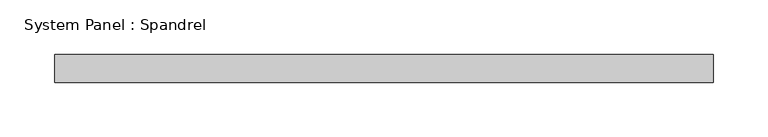
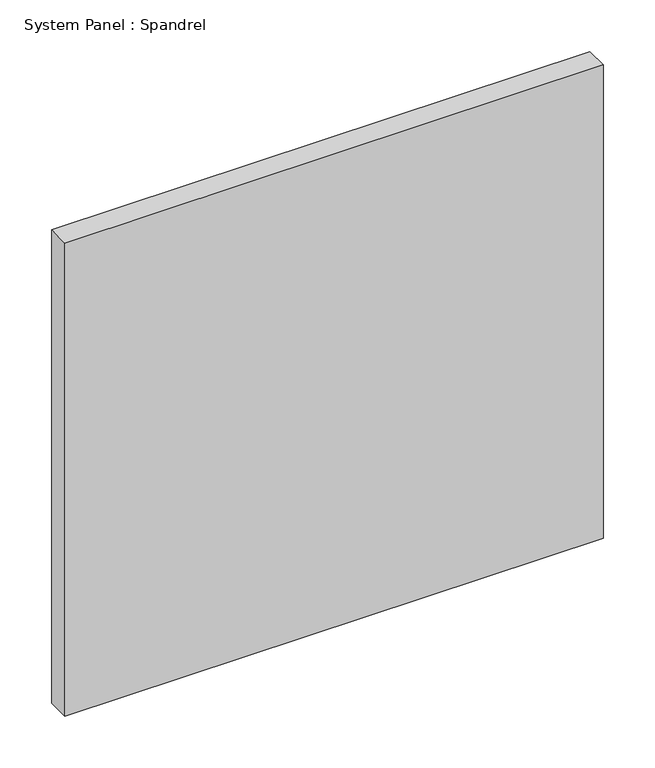
"""IFC4 building model written with IfcOpenShell, lengths in millimetres: plate geometry, System Panel : Spandrel."""

from ifc_helpers import new_model, si_unit, origin, origin_with_axes, place, context, project, spatial, polyline, outline, extrude, source, transform, mapped, element, save


def system_panel_spandrel_29584186(model_context):
    return source(origin(), model_context, "Body", "SweptSolid", [
        extrude(outline(polyline([(300.5666667, -12.7), (-300.5666667, -12.7), (-300.5666667, 12.7), (300.5666667, 12.7), (300.5666667, -12.7)])), origin_with_axes(), (0.0, 0.0, 1.0), 558.8),
    ])


if __name__ == "__main__":
    model = new_model("IFC4")
    model_context = context("Model", 3, world=origin())
    ifc_project = project(units=[si_unit("LENGTHUNIT", "METRE", prefix="MILLI")], contexts=[model_context])
    site = spatial("IfcSite", under=ifc_project)
    building = spatial("IfcBuilding", under=site)
    placement = place(None, origin())
    system_panel_spandrel_shape = system_panel_spandrel_29584186(model_context)
    element("IfcPlate", 1, ObjectType="System Panel : Spandrel", at=placement, inside=building, context=model_context, shape_type="MappedRepresentation", body=[
        mapped(system_panel_spandrel_shape, transform((0.0, 0.0, 0.0), x_axis=(1.0, 0.0, 0.0), y_axis=(0.0, 1.0, 0.0), z_axis=(0.0, 0.0, 1.0))),
    ])
    save(model, "model.ifc")
